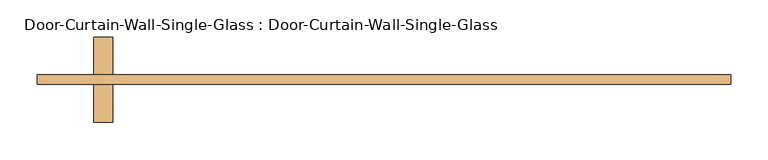
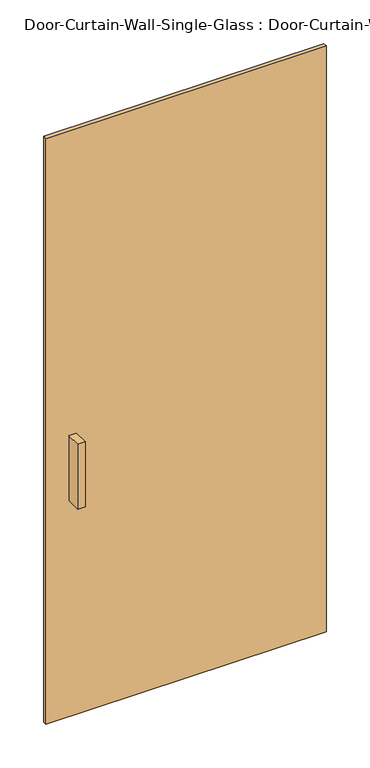
"""IFC4 building model written with IfcOpenShell, lengths in millimetres: door geometry, Door-Curtain-Wall-Single-Glass : Door-Curtain-Wall-Single-Glass."""

import ifcopenshell
import ifcopenshell.guid

model = None  # the IFC model being written
_history = None  # IfcOwnerHistory: only IFC2X3 demands one
_inside = {}  # id of a spatial element -> (the spatial element, [elements in it])
_under = {}  # id of a project, library or spatial element -> (it, [spatial elements below it])
_declared = {}  # id of a project -> (the project, [libraries it declares])
_typed = {}  # id of a type object -> (the type object, [elements of that type])
_made_of = {}  # id of a material, layer set ... -> (it, [elements and type objects made of it])


def new_model(schema):
    """Start an empty IFC model of exactly this schema.

    Asked for "IFC4X3", IfcOpenShell would pick the latest addendum, in which some entities
    have other attributes; the version numbers below select the first issue.
    IFC2X3 requires an IfcOwnerHistory on every rooted entity: one is made here for all.
    """
    global model, _history
    if schema == "IFC4X3":
        model = ifcopenshell.file(schema_version=(4, 3, 0, 0))
    else:
        model = ifcopenshell.file(schema=schema)
    _inside.clear()
    _under.clear()
    _declared.clear()
    _typed.clear()
    _made_of.clear()
    _history = None
    if model.schema == "IFC2X3":
        org = make("IfcOrganization", Name="unknown")
        user = make(
            "IfcPersonAndOrganization",
            ThePerson=make("IfcPerson", FamilyName="unknown"),
            TheOrganization=org,
        )
        app = make(
            "IfcApplication",
            ApplicationDeveloper=org,
            Version="unknown",
            ApplicationFullName="unknown",
            ApplicationIdentifier="unknown",
        )
        _history = make(
            "IfcOwnerHistory",
            OwningUser=user,
            OwningApplication=app,
            ChangeAction="ADDED",
            CreationDate=0,
        )
    return model


def make(cls, **values):
    """One entity of the class cls with the attributes given. An attribute that is None is left unset."""
    return model.create_entity(
        cls, **{name: value for name, value in values.items() if value is not None}
    )


def rooted(cls, **values):
    """An entity with a GlobalId (a new one), such as an element, a storey or a relation."""
    return make(cls, GlobalId=ifcopenshell.guid.new(), OwnerHistory=_history, **values)


def si_unit(unit_type, name, prefix=None):
    """IfcSIUnit, for example si_unit("LENGTHUNIT", "METRE", prefix="MILLI")."""
    return make("IfcSIUnit", UnitType=unit_type, Prefix=prefix, Name=name)


def assignment(units):
    """IfcUnitAssignment: the units of a project."""
    return None if units is None else make("IfcUnitAssignment", Units=units)


def point(xyz):
    """IfcCartesianPoint."""
    return None if xyz is None else make("IfcCartesianPoint", Coordinates=xyz)


def direction(xyz):
    """IfcDirection."""
    return None if xyz is None else make("IfcDirection", DirectionRatios=xyz)


def frame(location, z_axis=None, x_axis=None):
    """IfcAxis2Placement3D, a coordinate frame: its origin and axes. An axis left out is left unset."""
    return make(
        "IfcAxis2Placement3D",
        Location=point(location),
        Axis=direction(z_axis),
        RefDirection=direction(x_axis),
    )


def origin():
    """The frame at (0, 0, 0) with its axes left unset."""
    return frame((0.0, 0.0, 0.0))


def origin_with_axes():
    """The frame at (0, 0, 0) with the z axis (0, 0, 1) and the x axis (1, 0, 0) written out."""
    return frame((0.0, 0.0, 0.0), z_axis=(0.0, 0.0, 1.0), x_axis=(1.0, 0.0, 0.0))


def place(relative_to, where):
    """IfcLocalPlacement: puts the frame where relative to a parent placement (None: the world)."""
    return make(
        "IfcLocalPlacement", PlacementRelTo=relative_to, RelativePlacement=where
    )


def context(
    kind, dimensions, precision=None, world=None, true_north=None, identifier=None
):
    """IfcGeometricRepresentationContext, for example the 3D "Model" context."""
    return make(
        "IfcGeometricRepresentationContext",
        ContextIdentifier=identifier,
        ContextType=kind,
        CoordinateSpaceDimension=dimensions,
        Precision=precision,
        WorldCoordinateSystem=world,
        TrueNorth=true_north,
    )


def project(units=None, contexts=None):
    """IfcProject with its units and contexts."""
    return rooted(
        "IfcProject",
        Name="project",
        RepresentationContexts=contexts,
        UnitsInContext=assignment(units),
    )


def spatial(cls, under=None, at=None, **own):
    """A site, building, storey or space (cls), placed at a placement, below another one or the project."""
    s = rooted(cls, ObjectPlacement=at, **own)
    if under is not None:
        _under.setdefault(under.id(), (under, []))[1].append(s)
    return s


def polyline(points):
    """IfcPolyline through the points."""
    return make("IfcPolyline", Points=[point(p) for p in points])


def outline(outer, holes=None, kind="AREA"):
    """IfcArbitraryClosedProfileDef: a profile drawn as a closed curve; with holes, ...WithVoids."""
    if holes is None:
        return make("IfcArbitraryClosedProfileDef", ProfileType=kind, OuterCurve=outer)
    return make(
        "IfcArbitraryProfileDefWithVoids",
        ProfileType=kind,
        OuterCurve=outer,
        InnerCurves=holes,
    )


def extrude(swept, where, along, depth):
    """IfcExtrudedAreaSolid: the profile swept, set in the frame where, extruded along a direction by depth."""
    return make(
        "IfcExtrudedAreaSolid",
        SweptArea=swept,
        Position=where,
        ExtrudedDirection=direction(along),
        Depth=depth,
    )


def shape(context_of_items, identifier, shape_type, items):
    """IfcShapeRepresentation: the items that make up one representation, for example the "Body"."""
    return make(
        "IfcShapeRepresentation",
        ContextOfItems=context_of_items,
        RepresentationIdentifier=identifier,
        RepresentationType=shape_type,
        Items=items,
    )


def source(mapping_origin, context_of_items, identifier, shape_type, items):
    """IfcRepresentationMap: a shape defined once, which mapped items show again and again."""
    return make(
        "IfcRepresentationMap",
        MappingOrigin=mapping_origin,
        MappedRepresentation=shape(context_of_items, identifier, shape_type, items),
    )


def transform(
    local_origin,
    x_axis=None,
    y_axis=None,
    z_axis=None,
    scale=None,
    scale2=None,
    scale3=None,
    uniform=True,
):
    """IfcCartesianTransformationOperator3D, or its non-uniform kind. x_axis, y_axis, z_axis: its Axis1, 2, 3."""
    if uniform:
        return make(
            "IfcCartesianTransformationOperator3D",
            Axis1=direction(x_axis),
            Axis2=direction(y_axis),
            LocalOrigin=point(local_origin),
            Scale=scale,
            Axis3=direction(z_axis),
        )
    return make(
        "IfcCartesianTransformationOperator3DnonUniform",
        Axis1=direction(x_axis),
        Axis2=direction(y_axis),
        LocalOrigin=point(local_origin),
        Scale=scale,
        Axis3=direction(z_axis),
        Scale2=scale2,
        Scale3=scale3,
    )


def mapped(mapping_source, mapping_target):
    """IfcMappedItem: shows the shape of a source again, moved by a transform."""
    return make(
        "IfcMappedItem", MappingSource=mapping_source, MappingTarget=mapping_target
    )


def made_of(thing, what):
    """Note that an element or type object is made of a material, layer set ...; save() writes the relation."""
    if what is not None:
        _made_of.setdefault(what.id(), (what, []))[1].append(thing)
    return thing


def element(
    cls,
    number,
    at=None,
    inside=None,
    cuts=None,
    type_object=None,
    material=None,
    context=None,
    identifier="Body",
    shape_type=None,
    held_by="IfcProductDefinitionShape",
    body=None,
    shapes=None,
    **own,
):
    """One element of the class cls, such as IfcWall. Its Tag is "e" and its number.

    at: its placement. inside: the storey or other place that contains it. cuts: it is an
    opening in that element (IfcRelVoidsElement). A single representation is given by context,
    identifier, shape_type and body (its items); several are given by shapes. held_by: the class
    of the entity that holds the representations. save() writes the other relations.
    """
    e = rooted(cls, Tag="e%d" % number, ObjectPlacement=at, **own)
    if body is not None:
        shapes = [shape(context, identifier, shape_type, body)]
    if shapes is not None:
        e.Representation = make(held_by, Representations=shapes)
    if inside is not None:
        _inside.setdefault(inside.id(), (inside, []))[1].append(e)
    if cuts is not None:
        rooted(
            "IfcRelVoidsElement", RelatingBuildingElement=cuts, RelatedOpeningElement=e
        )
    if type_object is not None:
        _typed.setdefault(type_object.id(), (type_object, []))[1].append(e)
    return made_of(e, material)


def aggregate(whole, parts):
    """IfcRelAggregates: a whole, such as a stair, and the parts it consists of."""
    return rooted("IfcRelAggregates", RelatingObject=whole, RelatedObjects=parts)


def save(model, path):
    """Write the relations noted so far, then the file.

    IfcRelAggregates (storeys below a building ...), IfcRelContainedInSpatialStructure (elements
    in a storey), IfcRelDefinesByType, IfcRelAssociatesMaterial and IfcRelDeclares: one each for
    every whole, place, type object, material and project.
    """
    for whole, parts in _under.values():
        aggregate(whole, parts)
    for where, things in _inside.values():
        rooted(
            "IfcRelContainedInSpatialStructure",
            RelatedElements=things,
            RelatingStructure=where,
        )
    for kind, things in _typed.values():
        rooted("IfcRelDefinesByType", RelatedObjects=things, RelatingType=kind)
    for what, things in _made_of.values():
        rooted("IfcRelAssociatesMaterial", RelatedObjects=things, RelatingMaterial=what)
    for by, libraries in _declared.values():
        rooted("IfcRelDeclares", RelatingContext=by, RelatedDefinitions=libraries)
    model.write(path)


def door_curtain_wall_single_glass_door_curtain_wall_single_088ea375(model_context):
    return source(origin(), model_context, "Body", "SweptSolid", [
        extrude(outline(polyline([(466.725, -50.8), (-466.725, -50.8), (-466.725, -38.1), (466.725, -38.1), (466.725, -50.8)])), origin_with_axes(), (0.0, 0.0, 1.0), 2063.75),
        extrude(outline(polyline([(-365.125, 12.7), (-365.125, -38.1), (-390.525, -38.1), (-390.525, 12.7), (-365.125, 12.7)])), frame((0.0, 0.0, 762.0), z_axis=(0.0, 0.0, 1.0), x_axis=(1.0, 0.0, 0.0)), (0.0, 0.0, 1.0), 228.6),
        extrude(outline(polyline([(-390.525, -101.6), (-390.525, -50.8), (-365.125, -50.8), (-365.125, -101.6), (-390.525, -101.6)])), frame((0.0, 0.0, 762.0), z_axis=(0.0, 0.0, 1.0), x_axis=(1.0, 0.0, 0.0)), (0.0, 0.0, 1.0), 228.6),
    ])


if __name__ == "__main__":
    model = new_model("IFC4")
    model_context = context("Model", 3, world=origin())
    ifc_project = project(units=[si_unit("LENGTHUNIT", "METRE", prefix="MILLI")], contexts=[model_context])
    site = spatial("IfcSite", under=ifc_project)
    building = spatial("IfcBuilding", under=site)
    placement = place(None, origin())
    door_curtain_wall_single_glass_door_curtain_wall_single_shape = door_curtain_wall_single_glass_door_curtain_wall_single_088ea375(model_context)
    element("IfcDoor", 1, ObjectType="Door-Curtain-Wall-Single-Glass : Door-Curtain-Wall-Single-Glass", at=placement, inside=building, context=model_context, shape_type="MappedRepresentation", body=[
        mapped(door_curtain_wall_single_glass_door_curtain_wall_single_shape, transform((0.0, 0.0, 0.0), x_axis=(1.0, 0.0, 0.0), y_axis=(0.0, 1.0, 0.0), z_axis=(0.0, 0.0, 1.0))),
    ])
    save(model, "model.ifc")
